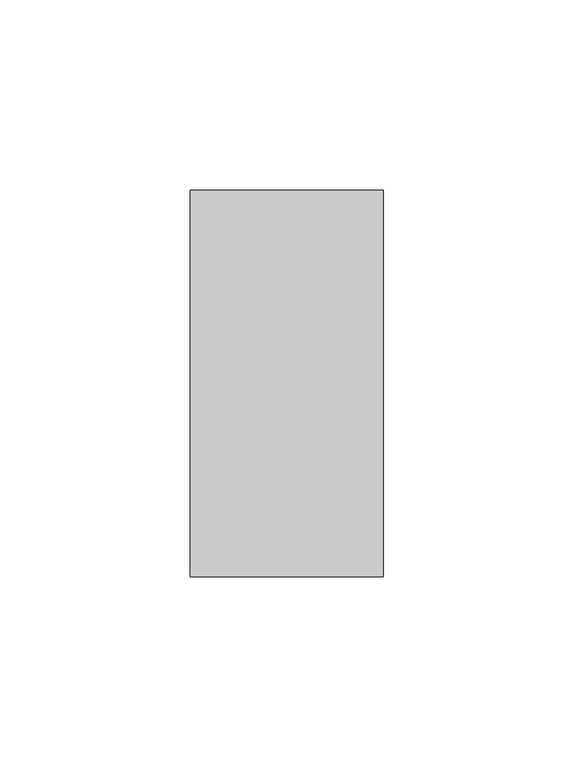
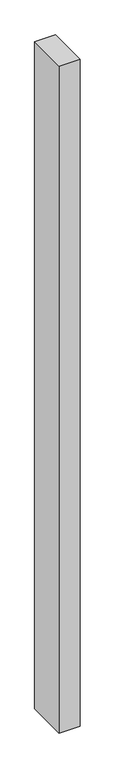
"""IFC4 building model written with IfcOpenShell, lengths in millimetres: proxy geometry."""

from ifc_helpers import new_model, si_unit, origin, origin_with_axes, place, context, project, spatial, polyline, outline, extrude, source, transform, mapped, element, save


def generic_models_dbeed991(model_context):
    return source(origin(), model_context, "Body", "SweptSolid", [
        extrude(outline(polyline([(50.8, 0.0), (0.0, 0.0), (0.0, 101.6), (50.8, 101.6), (50.8, 0.0)])), origin_with_axes(), (0.0, 0.0, 1.0), 1700.0),
    ])


if __name__ == "__main__":
    model = new_model("IFC4")
    model_context = context("Model", 3, world=origin())
    ifc_project = project(units=[si_unit("LENGTHUNIT", "METRE", prefix="MILLI")], contexts=[model_context])
    site = spatial("IfcSite", under=ifc_project)
    building = spatial("IfcBuilding", under=site)
    placement = place(None, origin())
    generic_models_shape = generic_models_dbeed991(model_context)
    element("IfcBuildingElementProxy", 1, Name="Generic Models", at=placement, inside=building, context=model_context, shape_type="MappedRepresentation", body=[
        mapped(generic_models_shape, transform((0.0, 0.0, 0.0), x_axis=(1.0, 0.0, 0.0), y_axis=(0.0, 1.0, 0.0), z_axis=(0.0, 0.0, 1.0))),
    ])
    save(model, "model.ifc")
